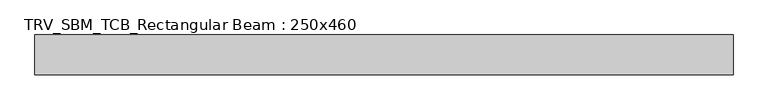
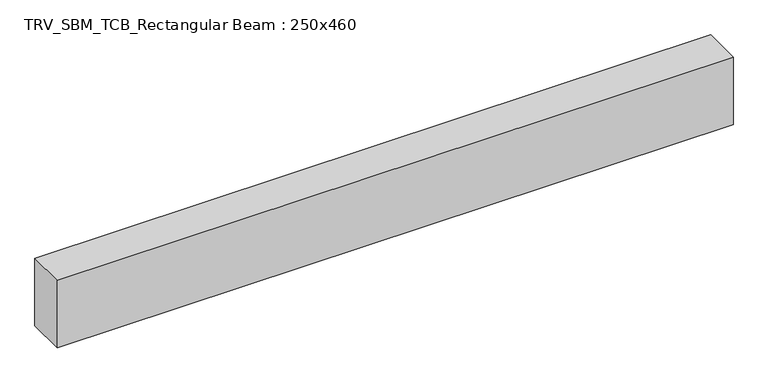
"""IFC4 building model written with IfcOpenShell, lengths in millimetres: beam geometry, TRV_SBM_TCB_Rectangular Beam : 250x460."""

from ifc_helpers import new_model, si_unit, frame, origin, place, context, project, spatial, polyline, outline, extrude, source, transform, mapped, element, save


def trv_sbm_tcb_rectangular_beam_250x460_015df528(model_context):
    return source(origin(), model_context, "Body", "SweptSolid", [
        extrude(outline(polyline([(2177.7, 125.0), (2177.7, -125.0), (-2177.7, -125.0), (-2177.7, 125.0), (2177.7, 125.0)])), frame((0.0, 0.0, -230.0), z_axis=(0.0, 0.0, 1.0), x_axis=(1.0, 0.0, 0.0)), (0.0, 0.0, 1.0), 460.0),
    ])


if __name__ == "__main__":
    model = new_model("IFC4")
    model_context = context("Model", 3, world=origin())
    ifc_project = project(units=[si_unit("LENGTHUNIT", "METRE", prefix="MILLI")], contexts=[model_context])
    site = spatial("IfcSite", under=ifc_project)
    building = spatial("IfcBuilding", under=site)
    placement = place(None, origin())
    trv_sbm_tcb_rectangular_beam_250x460_shape = trv_sbm_tcb_rectangular_beam_250x460_015df528(model_context)
    element("IfcBeam", 1, ObjectType="TRV_SBM_TCB_Rectangular Beam : 250x460", at=placement, inside=building, context=model_context, shape_type="MappedRepresentation", body=[
        mapped(trv_sbm_tcb_rectangular_beam_250x460_shape, transform((0.0, 0.0, 0.0), x_axis=(1.0, 0.0, 0.0), y_axis=(0.0, 1.0, 0.0), z_axis=(0.0, 0.0, 1.0))),
    ])
    save(model, "model.ifc")
